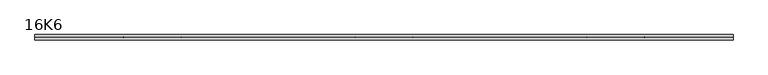
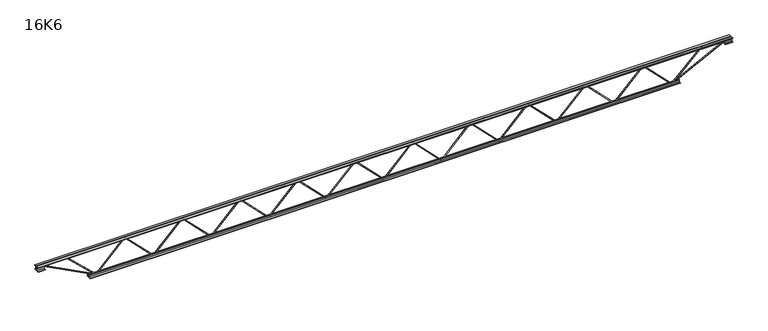
"""IFC4 building model written with IfcOpenShell, lengths in millimetres: beam geometry, 16K6."""

from ifc_helpers import new_model, si_unit, frame, origin, place, context, project, spatial, polyline, outline, extrude, source, transform, mapped, element, save


def beam_16k6_774f6f44(model_context):
    return source(origin(), model_context, "Body", "SweptSolid", [
        extrude(outline(polyline([(-191.9, 2362.8), (-201.4, 2362.8), (-201.4, 2367.9633951), (191.9, 2755.4133951), (191.9, 2757.7866049), (-201.4, 3145.2366049), (-201.4, 3150.4), (-191.9, 3150.4), (-191.9, 3149.2133951), (201.4, 2761.7633951), (201.4, 2751.4366049), (-191.9, 2363.9866049), (-191.9, 2362.8)])), frame((0.0, -4.75, 0.0), z_axis=(0.0, 1.0, 0.0), x_axis=(0.0, 0.0, 1.0)), (0.0, 0.0, 1.0), 9.5),
        extrude(outline(polyline([(-191.9, 1575.2), (-201.4, 1575.2), (-201.4, 1580.3633951), (191.9, 1967.8133951), (191.9, 1970.1866049), (-201.4, 2357.6366049), (-201.4, 2362.8), (-191.9, 2362.8), (-191.9, 2361.6133951), (201.4, 1974.1633951), (201.4, 1963.8366049), (-191.9, 1576.3866049), (-191.9, 1575.2)])), frame((0.0, -4.75, 0.0), z_axis=(0.0, 1.0, 0.0), x_axis=(0.0, 0.0, 1.0)), (0.0, 0.0, 1.0), 9.5),
        extrude(outline(polyline([(-191.9, 787.6), (-201.4, 787.6), (-201.4, 792.7633951), (191.9, 1180.2133951), (191.9, 1182.5866049), (-201.4, 1570.0366049), (-201.4, 1575.2), (-191.9, 1575.2), (-191.9, 1574.0133951), (201.4, 1186.5633951), (201.4, 1176.2366049), (-191.9, 788.7866049), (-191.9, 787.6)])), frame((0.0, -4.75, 0.0), z_axis=(0.0, 1.0, 0.0), x_axis=(0.0, 0.0, 1.0)), (0.0, 0.0, 1.0), 9.5),
        extrude(outline(polyline([(-191.9, 0.0), (-201.4, 0.0), (-201.4, 5.1633951), (191.9, 392.6133951), (191.9, 394.9866049), (-201.4, 782.4366049), (-201.4, 787.6), (-191.9, 787.6), (-191.9, 786.4133951), (201.4, 398.9633951), (201.4, 388.6366049), (-191.9, 1.1866049), (-191.9, 0.0)])), frame((0.0, -4.75, 0.0), z_axis=(0.0, 1.0, 0.0), x_axis=(0.0, 0.0, 1.0)), (0.0, 0.0, 1.0), 9.5),
        extrude(outline(polyline([(-191.9, -787.6), (-201.4, -787.6), (-201.4, -782.4366049), (191.9, -394.9866049), (191.9, -392.6133951), (-201.4, -5.1633951), (-201.4, 0.0), (-191.9, 0.0), (-191.9, -1.1866049), (201.4, -388.6366049), (201.4, -398.9633951), (-191.9, -786.4133951), (-191.9, -787.6)])), frame((0.0, -4.75, 0.0), z_axis=(0.0, 1.0, 0.0), x_axis=(0.0, 0.0, 1.0)), (0.0, 0.0, 1.0), 9.5),
        extrude(outline(polyline([(-191.9, -1575.2), (-201.4, -1575.2), (-201.4, -1570.0366049), (191.9, -1182.5866049), (191.9, -1180.2133951), (-201.4, -792.7633951), (-201.4, -787.6), (-191.9, -787.6), (-191.9, -788.7866049), (201.4, -1176.2366049), (201.4, -1186.5633951), (-191.9, -1574.0133951), (-191.9, -1575.2)])), frame((0.0, -4.75, 0.0), z_axis=(0.0, 1.0, 0.0), x_axis=(0.0, 0.0, 1.0)), (0.0, 0.0, 1.0), 9.5),
        extrude(outline(polyline([(-191.9, -2362.8), (-201.4, -2362.8), (-201.4, -2357.6366049), (191.9, -1970.1866049), (191.9, -1967.8133951), (-201.4, -1580.3633951), (-201.4, -1575.2), (-191.9, -1575.2), (-191.9, -1576.3866049), (201.4, -1963.8366049), (201.4, -1974.1633951), (-191.9, -2361.6133951), (-191.9, -2362.8)])), frame((0.0, -4.75, 0.0), z_axis=(0.0, 1.0, 0.0), x_axis=(0.0, 0.0, 1.0)), (0.0, 0.0, 1.0), 9.5),
        extrude(outline(polyline([(-191.9, -3150.4), (-201.4, -3150.4), (-201.4, -3145.2366049), (191.9, -2757.7866049), (191.9, -2755.4133951), (-201.4, -2367.9633951), (-201.4, -2362.8), (-191.9, -2362.8), (-191.9, -2363.9866049), (201.4, -2751.4366049), (201.4, -2761.7633951), (-191.9, -3149.2133951), (-191.9, -3150.4)])), frame((0.0, -4.75, 0.0), z_axis=(0.0, 1.0, 0.0), x_axis=(0.0, 0.0, 1.0)), (0.0, 0.0, 1.0), 9.5),
        extrude(outline(polyline([(-191.9, 3150.4), (-201.4, 3150.4), (-201.4, 3155.5633951), (191.9, 3543.0133951), (191.9, 3545.3866049), (-201.4, 3932.8366049), (-201.4, 3938.0), (-191.9, 3938.0), (-191.9, 3936.8133951), (201.4, 3549.3633951), (201.4, 3539.0366049), (-191.9, 3151.5866049), (-191.9, 3150.4)])), frame((0.0, -4.75, 0.0), z_axis=(0.0, 1.0, 0.0), x_axis=(0.0, 0.0, 1.0)), (0.0, 0.0, 1.0), 9.5),
        extrude(outline(polyline([(-191.9, -3938.0), (-201.4, -3938.0), (-201.4, -3932.8366049), (191.9, -3545.3866049), (191.9, -3543.0133951), (-201.4, -3155.5633951), (-201.4, -3150.4), (-191.9, -3150.4), (-191.9, -3151.5866049), (201.4, -3539.0366049), (201.4, -3549.3633951), (-191.9, -3936.8133951), (-191.9, -3938.0)])), frame((0.0, -4.75, 0.0), z_axis=(0.0, 1.0, 0.0), x_axis=(0.0, 0.0, 1.0)), (0.0, 0.0, 1.0), 9.5),
        extrude(outline(polyline([(4.75, 203.0), (36.75, 203.0), (36.75, 196.5), (11.25, 196.5), (11.25, 171.0), (4.75, 171.0), (4.75, 203.0)])), frame((-4750.0, 0.0, 0.0), z_axis=(1.0, 0.0, 0.0), x_axis=(0.0, 1.0, 0.0)), (0.0, 0.0, 1.0), 9500.0),
        extrude(outline(polyline([(-4.75, 203.0), (-4.75, 171.0), (-11.25, 171.0), (-11.25, 196.5), (-36.75, 196.5), (-36.75, 203.0), (-4.75, 203.0)])), frame((-4750.0, 0.0, 0.0), z_axis=(1.0, 0.0, 0.0), x_axis=(0.0, 1.0, 0.0)), (0.0, 0.0, 1.0), 9500.0),
        extrude(outline(polyline([(-4.75, 139.5), (-36.75, 139.5), (-36.75, 146.0), (-11.25, 146.0), (-11.25, 171.0), (-4.75, 171.0), (-4.75, 139.5)])), frame((-4750.0, 0.0, 0.0), z_axis=(1.0, 0.0, 0.0), x_axis=(0.0, 1.0, 0.0)), (0.0, 0.0, 1.0), 100.0),
        extrude(outline(polyline([(36.75, 139.5), (4.75, 139.5), (4.75, 171.0), (11.25, 171.0), (11.25, 146.0), (36.75, 146.0), (36.75, 139.5)])), frame((-4750.0, 0.0, 0.0), z_axis=(1.0, 0.0, 0.0), x_axis=(0.0, 1.0, 0.0)), (0.0, 0.0, 1.0), 100.0),
        extrude(outline(polyline([(4.75, 139.5), (4.75, 171.0), (11.25, 171.0), (11.25, 146.0), (36.75, 146.0), (36.75, 139.5), (4.75, 139.5)])), frame((4650.0, 0.0, 0.0), z_axis=(1.0, 0.0, 0.0), x_axis=(0.0, 1.0, 0.0)), (0.0, 0.0, 1.0), 100.0),
        extrude(outline(polyline([(-4.75, 139.5), (-36.75, 139.5), (-36.75, 146.0), (-11.25, 146.0), (-11.25, 171.0), (-4.75, 171.0), (-4.75, 139.5)])), frame((4650.0, 0.0, 0.0), z_axis=(1.0, 0.0, 0.0), x_axis=(0.0, 1.0, 0.0)), (0.0, 0.0, 1.0), 100.0),
        extrude(outline(polyline([(4.75, -203.0), (4.75, -171.0), (11.25, -171.0), (11.25, -196.5), (36.75, -196.5), (36.75, -203.0), (4.75, -203.0)])), frame((-4038.0, 0.0, 0.0), z_axis=(1.0, 0.0, 0.0), x_axis=(0.0, 1.0, 0.0)), (0.0, 0.0, 1.0), 8076.0),
        extrude(outline(polyline([(-4.75, -203.0), (-36.75, -203.0), (-36.75, -196.5), (-11.25, -196.5), (-11.25, -171.0), (-4.75, -171.0), (-4.75, -203.0)])), frame((-4038.0, 0.0, 0.0), z_axis=(1.0, 0.0, 0.0), x_axis=(0.0, 1.0, 0.0)), (0.0, 0.0, 1.0), 8076.0),
        extrude(outline(polyline([(-200.8705467, -3940.1793315), (-192.4294533, -3935.8206685), (175.75, -4648.8460208), (175.75, -4750.0), (166.25, -4750.0), (166.25, -4651.1539792), (-200.8705467, -3940.1793315)])), frame((0.0, -4.75, 0.0), z_axis=(0.0, 1.0, 0.0), x_axis=(0.0, 0.0, 1.0)), (0.0, 0.0, 1.0), 9.5),
        extrude(outline(polyline([(188.7, -4351.7571429), (179.2, -4351.7571429), (179.2, -4340.9522404), (-200.0954812, -3941.2697339), (-193.2045188, -3934.7302661), (188.7, -4337.1620453), (188.7, -4351.7571429)])), frame((0.0, -4.75, 0.0), z_axis=(0.0, 1.0, 0.0), x_axis=(0.0, 0.0, 1.0)), (0.0, 0.0, 1.0), 9.5),
        extrude(outline(polyline([(0.0, -9.5), (0.0, 0.0), (801.3179909, 0.0), (801.3179909, -9.5), (0.0, -9.5)])), frame((4652.1793315, -4.75, 166.7794533), z_axis=(-0.4588066213244953, 0.0, 0.8885361468329813), x_axis=(-0.8885361468329813, 0.0, -0.4588066213244953)), (0.0, 0.0, 1.0), 9.5),
        extrude(outline(polyline([(0.0, -9.5), (0.0, 0.0), (566.9263144, 0.0), (566.9263144, -9.5), (0.0, -9.5)])), frame((4349.6095552, -4.75, 193.2289331), z_axis=(-0.6937409501645593, 0.0, 0.7202246136204833), x_axis=(-0.7202246136204833, 0.0, -0.6937409501645593)), (0.0, 0.0, 1.0), 9.5),
    ])


if __name__ == "__main__":
    model = new_model("IFC4")
    model_context = context("Model", 3, world=origin())
    ifc_project = project(units=[si_unit("LENGTHUNIT", "METRE", prefix="MILLI")], contexts=[model_context])
    site = spatial("IfcSite", under=ifc_project)
    building = spatial("IfcBuilding", under=site)
    placement = place(None, origin())
    beam_16k6_shape = beam_16k6_774f6f44(model_context)
    element("IfcBeam", 1, ObjectType="16K6", at=placement, inside=building, context=model_context, shape_type="MappedRepresentation", body=[
        mapped(beam_16k6_shape, transform((0.0, 0.0, 0.0), x_axis=(1.0, 0.0, 0.0), y_axis=(0.0, 1.0, 0.0), z_axis=(0.0, 0.0, 1.0))),
    ])
    save(model, "model.ifc")
